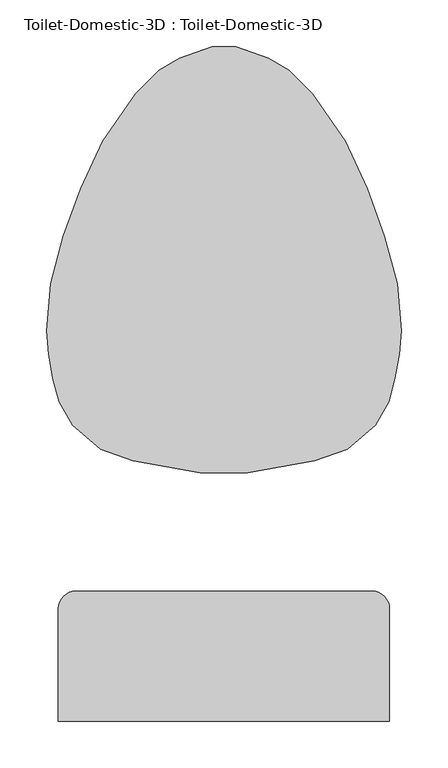
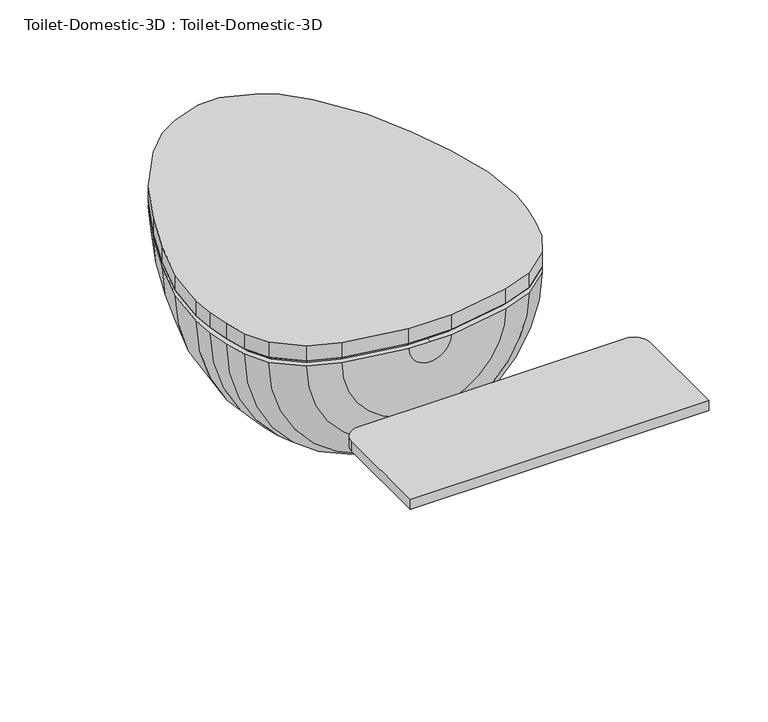
"""IFC4 building model written with IfcOpenShell, lengths in millimetres: flow terminal geometry, Toilet-Domestic-3D : Toilet-Domestic-3D."""

from ifc_helpers import new_model, si_unit, point, frame, frame_2d, origin, place, context, project, spatial, polyline, circle_curve, trimmed, segment, composite_curve, outline, extrude, faceted_brep, source, transform, mapped, element, save
from ifc_brep_helpers import plane_surface, revolved_surface, advanced_brep


def toilet_domestic_3d_toilet_domestic_3d_5530cc89(model_context):
    return source(origin(), model_context, "Body", "SolidModel", [
        advanced_brep(
        [(-25.4, -152.4, 361.95), (0.0, -152.4, 361.95), (0.0, -133.6394123, 361.95), (-22.0920022, -133.6394123, 361.95), (-94.1172813, -120.9394123, 361.95), (-121.9980886, -110.7916284, 361.95), (-146.1085923, -90.5605136, 361.95), (-159.5484355, -68.2281551, 361.95), (-165.101298, -47.5045901, 361.95), (-169.3087351, -23.6430284, 361.95), (-171.5645445, 2.1409906, 361.95), (-167.7238545, 46.0402777, 361.95), (-154.575847, 95.1093097, 361.95), (-136.654021, 144.3491221, 361.95), (-114.0255101, 192.8761202, 361.95), (-79.2146703, 243.0564036, 361.95), (-58.4178985, 263.8531754, 361.95), (-39.5113323, 274.7688865, 361.95), (-12.5224565, 284.592034, 361.95), (0.0, 284.592034, 361.95), (0.0, 304.8, 361.95), (-12.7, 304.8, 361.95), (-47.5929632, 292.1, 361.95), (-69.5900085, 279.4, 361.95), (-94.9900085, 254.0, 361.95), (-130.2307553, 203.2, 361.95), (-153.9191843, 152.4, 361.95), (-172.4088722, 101.6, 361.95), (-186.0724883, 50.6066907, 361.95), (-190.5, 0.0, 361.95), (-188.2862441, -25.3033453, 361.95), (-183.790496, -50.8, 361.95), (-176.9845865, -76.2, 361.95), (-162.5887836, -101.6, 361.95), (-132.3182423, -127.0, 361.95), (-97.4252791, -139.7, 361.95), (25.4, -152.4, 361.95), (97.4252791, -139.7, 361.95), (132.3182423, -127.0, 361.95), (162.5887836, -101.6, 361.95), (176.9845865, -76.2, 361.95), (183.790496, -50.8, 361.95), (188.2862441, -25.3033453, 361.95), (190.5, 0.0, 361.95), (186.0724883, 50.6066907, 361.95), (172.4088722, 101.6, 361.95), (153.9191843, 152.4, 361.95), (130.2307553, 203.2, 361.95), (94.9900085, 254.0, 361.95), (69.5900085, 279.4, 361.95), (47.5929632, 292.1, 361.95), (12.7, 304.8, 361.95), (12.5224565, 284.592034, 361.95), (39.5113323, 274.7688865, 361.95), (58.4178985, 263.8531754, 361.95), (79.2146703, 243.0564036, 361.95), (114.0255101, 192.8761202, 361.95), (136.654021, 144.3491221, 361.95), (154.575847, 95.1093097, 361.95), (167.7238545, 46.0402777, 361.95), (171.5645445, 2.1409906, 361.95), (169.3087351, -23.6430284, 361.95), (165.101298, -47.5045901, 361.95), (159.5484355, -68.2281551, 361.95), (146.1085923, -90.5605136, 361.95), (121.9980886, -110.7916284, 361.95), (94.1172813, -120.9394123, 361.95), (22.0920022, -133.6394123, 361.95)],
        [
            (0, 1),
            (1, 2),
            (2, 3),
            (3, 4),
            (4, 5),
            (5, 6),
            (6, 7),
            (7, 8),
            (8, 9),
            (9, 10),
            (10, 11),
            (11, 12),
            (12, 13),
            (13, 14),
            (14, 15),
            (15, 16),
            (16, 17),
            (17, 18),
            (18, 19),
            (19, 20),
            (20, 21),
            (21, 22),
            (22, 23),
            (23, 24),
            (24, 25),
            (25, 26),
            (26, 27),
            (27, 28),
            (28, 29),
            (29, 30),
            (30, 31),
            (31, 32),
            (32, 33),
            (33, 34),
            (34, 35),
            (35, 0),
            (36, 37),
            (37, 38),
            (38, 39),
            (39, 40),
            (40, 41),
            (41, 42),
            (42, 43),
            (43, 44),
            (44, 45),
            (45, 46),
            (46, 47),
            (47, 48),
            (48, 49),
            (49, 50),
            (50, 51),
            (51, 20),
            (19, 52),
            (52, 53),
            (53, 54),
            (54, 55),
            (55, 56),
            (56, 57),
            (57, 58),
            (58, 59),
            (59, 60),
            (60, 61),
            (61, 62),
            (62, 63),
            (63, 64),
            (64, 65),
            (65, 66),
            (66, 67),
            (67, 2),
            (1, 36),
            (36, 0, circle_curve(frame((0.0, -152.4, 361.95), z_axis=(0.0, 1.0, 0.0), x_axis=(-1.0, 0.0, 0.0)), 25.4)),
            (35, 37, circle_curve(frame((0.0, -139.7, 361.95), z_axis=(0.0, -1.0, 0.0), x_axis=(-1.0, 0.0, 0.0)), 97.4252791)),
            (34, 38, circle_curve(frame((0.0, -127.0, 361.95), z_axis=(0.0, -1.0, 0.0), x_axis=(-1.0, 0.0, 0.0)), 132.3182423)),
            (33, 39, circle_curve(frame((0.0, -101.6, 361.95), z_axis=(0.0, -1.0, 0.0), x_axis=(-1.0, 0.0, 0.0)), 162.5887836)),
            (32, 40, circle_curve(frame((0.0, -76.2, 361.95), z_axis=(0.0, -1.0, 0.0), x_axis=(-1.0, 0.0, 0.0)), 176.9845865)),
            (31, 41, circle_curve(frame((0.0, -50.8, 361.95), z_axis=(0.0, -1.0, 0.0), x_axis=(-1.0, 0.0, 0.0)), 183.790496)),
            (30, 42, circle_curve(frame((0.0, -25.3033453, 361.95), z_axis=(0.0, -1.0, 0.0), x_axis=(-1.0, 0.0, 0.0)), 188.2862441)),
            (29, 43, circle_curve(frame((0.0, 0.0, 361.95), z_axis=(0.0, -1.0, 0.0), x_axis=(-1.0, 0.0, 0.0)), 190.5)),
            (28, 44, circle_curve(frame((0.0, 50.6066907, 361.95), z_axis=(0.0, -1.0, 0.0), x_axis=(-1.0, 0.0, 0.0)), 186.0724883)),
            (27, 45, circle_curve(frame((0.0, 101.6, 361.95), z_axis=(0.0, -1.0, 0.0), x_axis=(-1.0, 0.0, 0.0)), 172.4088722)),
            (26, 46, circle_curve(frame((0.0, 152.4, 361.95), z_axis=(0.0, -1.0, 0.0), x_axis=(-1.0, 0.0, 0.0)), 153.9191843)),
            (25, 47, circle_curve(frame((0.0, 203.2, 361.95), z_axis=(0.0, -1.0, 0.0), x_axis=(-1.0, 0.0, 0.0)), 130.2307553)),
            (24, 48, circle_curve(frame((0.0, 254.0, 361.95), z_axis=(0.0, -1.0, 0.0), x_axis=(-1.0, 0.0, 0.0)), 94.9900085)),
            (23, 49, circle_curve(frame((0.0, 279.4, 361.95), z_axis=(0.0, -1.0, 0.0), x_axis=(-1.0, 0.0, 0.0)), 69.5900085)),
            (22, 50, circle_curve(frame((0.0, 292.1, 361.95), z_axis=(0.0, -1.0, 0.0), x_axis=(-1.0, 0.0, 0.0)), 47.5929632)),
            (21, 51, circle_curve(frame((0.0, 304.8, 361.95), z_axis=(0.0, -1.0, 0.0), x_axis=(-1.0, 0.0, 0.0)), 12.7)),
            (18, 52, circle_curve(frame((0.0, 284.592034, 361.95), z_axis=(0.0, -1.0, 0.0), x_axis=(-1.0, 0.0, 0.0)), 12.5224565)),
            (17, 53, circle_curve(frame((0.0, 274.7688865, 361.95), z_axis=(0.0, -1.0, 0.0), x_axis=(-1.0, 0.0, 0.0)), 39.5113323)),
            (16, 54, circle_curve(frame((0.0, 263.8531754, 361.95), z_axis=(0.0, -1.0, 0.0), x_axis=(-1.0, 0.0, 0.0)), 58.4178985)),
            (15, 55, circle_curve(frame((0.0, 243.0564036, 361.95), z_axis=(0.0, -1.0, 0.0), x_axis=(-1.0, 0.0, 0.0)), 79.2146703)),
            (14, 56, circle_curve(frame((0.0, 192.8761202, 361.95), z_axis=(0.0, -1.0, 0.0), x_axis=(-1.0, 0.0, 0.0)), 114.0255101)),
            (13, 57, circle_curve(frame((0.0, 144.3491221, 361.95), z_axis=(0.0, -1.0, 0.0), x_axis=(-1.0, 0.0, 0.0)), 136.654021)),
            (12, 58, circle_curve(frame((0.0, 95.1093097, 361.95), z_axis=(0.0, -1.0, 0.0), x_axis=(-1.0, 0.0, 0.0)), 154.575847)),
            (11, 59, circle_curve(frame((0.0, 46.0402777, 361.95), z_axis=(0.0, -1.0, 0.0), x_axis=(-1.0, 0.0, 0.0)), 167.7238545)),
            (10, 60, circle_curve(frame((0.0, 2.1409906, 361.95), z_axis=(0.0, -1.0, 0.0), x_axis=(-1.0, 0.0, 0.0)), 171.5645445)),
            (9, 61, circle_curve(frame((0.0, -23.6430284, 361.95), z_axis=(0.0, -1.0, 0.0), x_axis=(-1.0, 0.0, 0.0)), 169.3087351)),
            (8, 62, circle_curve(frame((0.0, -47.5045901, 361.95), z_axis=(0.0, -1.0, 0.0), x_axis=(-1.0, 0.0, 0.0)), 165.101298)),
            (7, 63, circle_curve(frame((0.0, -68.2281551, 361.95), z_axis=(0.0, -1.0, 0.0), x_axis=(-1.0, 0.0, 0.0)), 159.5484355)),
            (6, 64, circle_curve(frame((0.0, -90.5605136, 361.95), z_axis=(0.0, -1.0, 0.0), x_axis=(-1.0, 0.0, 0.0)), 146.1085923)),
            (5, 65, circle_curve(frame((0.0, -110.7916284, 361.95), z_axis=(0.0, -1.0, 0.0), x_axis=(-1.0, 0.0, 0.0)), 121.9980886)),
            (4, 66, circle_curve(frame((0.0, -120.9394123, 361.95), z_axis=(0.0, -1.0, 0.0), x_axis=(-1.0, 0.0, 0.0)), 94.1172813)),
            (3, 67, circle_curve(frame((0.0, -133.6394123, 361.95), z_axis=(0.0, -1.0, 0.0), x_axis=(-1.0, 0.0, 0.0)), 22.0920022)),
        ],
        [
            plane_surface(frame((0.0, -175.1599017, 361.95), z_axis=(0.0, 0.0, 1.0), x_axis=(-1.0, 0.0, 0.0))),
            plane_surface(frame((0.0, -175.1599017, 361.95), z_axis=(0.0, 0.0, 1.0), x_axis=(1.0, 0.0, 0.0))),
            revolved_surface(polyline([(-25.4, -152.4, 361.95), (-97.4252791, -139.7, 361.95)]), (0.0, -175.1599017, 361.95), (0.0, 1.0, 0.0)),
            revolved_surface(polyline([(-97.4252791, -139.7, 361.95), (-132.3182423, -127.0, 361.95)]), (0.0, -175.1599017, 361.95), (0.0, 1.0, 0.0)),
            revolved_surface(polyline([(-132.3182423, -127.0, 361.95), (-162.5887836, -101.6, 361.95)]), (0.0, -175.1599017, 361.95), (0.0, 1.0, 0.0)),
            revolved_surface(polyline([(-162.5887836, -101.6, 361.95), (-176.9845865, -76.2, 361.95)]), (0.0, -175.1599017, 361.95), (0.0, 1.0, 0.0)),
            revolved_surface(polyline([(-176.9845865, -76.2, 361.95), (-183.790496, -50.8, 361.95)]), (0.0, -175.1599017, 361.95), (0.0, 1.0, 0.0)),
            revolved_surface(polyline([(-183.790496, -50.8, 361.95), (-188.2862441, -25.3033453, 361.95)]), (0.0, -175.1599017, 361.95), (0.0, 1.0, 0.0)),
            revolved_surface(polyline([(-188.2862441, -25.3033453, 361.95), (-190.5, 0.0, 361.95)]), (0.0, -175.1599017, 361.95), (0.0, 1.0, 0.0)),
            revolved_surface(polyline([(-190.5, 0.0, 361.95), (-186.0724883, 50.6066907, 361.95)]), (0.0, -175.1599017, 361.95), (0.0, 1.0, 0.0)),
            revolved_surface(polyline([(-186.0724883, 50.6066907, 361.95), (-172.4088722, 101.6, 361.95)]), (0.0, -175.1599017, 361.95), (0.0, 1.0, 0.0)),
            revolved_surface(polyline([(-172.4088722, 101.6, 361.95), (-153.9191843, 152.4, 361.95)]), (0.0, -175.1599017, 361.95), (0.0, 1.0, 0.0)),
            revolved_surface(polyline([(-153.9191843, 152.4, 361.95), (-130.2307553, 203.2, 361.95)]), (0.0, -175.1599017, 361.95), (0.0, 1.0, 0.0)),
            revolved_surface(polyline([(-130.2307553, 203.2, 361.95), (-94.9900085, 254.0, 361.95)]), (0.0, -175.1599017, 361.95), (0.0, 1.0, 0.0)),
            revolved_surface(polyline([(-94.9900085, 254.0, 361.95), (-69.5900085, 279.4, 361.95)]), (0.0, -175.1599017, 361.95), (0.0, 1.0, 0.0)),
            revolved_surface(polyline([(-69.5900085, 279.4, 361.95), (-47.5929632, 292.1, 361.95)]), (0.0, -175.1599017, 361.95), (0.0, 1.0, 0.0)),
            revolved_surface(polyline([(-47.5929632, 292.1, 361.95), (-12.7, 304.8, 361.95)]), (0.0, -175.1599017, 361.95), (0.0, 1.0, 0.0)),
            plane_surface(frame((0.0, 304.8, 361.95), z_axis=(0.0, 1.0, 0.0), x_axis=(-1.0, 0.0, 0.0))),
            plane_surface(frame((0.0, 284.592034, 361.95), z_axis=(0.0, -1.0, 0.0), x_axis=(-1.0, 0.0, 0.0))),
            revolved_surface(polyline([(-12.5224565, 284.592034, 361.95), (-39.5113323, 274.7688865, 361.95)]), (0.0, -175.1599017, 361.95), (0.0, 1.0, 0.0)),
            revolved_surface(polyline([(-39.5113323, 274.7688865, 361.95), (-58.4178985, 263.8531754, 361.95)]), (0.0, -175.1599017, 361.95), (0.0, 1.0, 0.0)),
            revolved_surface(polyline([(-58.4178985, 263.8531754, 361.95), (-79.2146703, 243.0564036, 361.95)]), (0.0, -175.1599017, 361.95), (0.0, 1.0, 0.0)),
            revolved_surface(polyline([(-79.2146703, 243.0564036, 361.95), (-114.0255101, 192.8761202, 361.95)]), (0.0, -175.1599017, 361.95), (0.0, 1.0, 0.0)),
            revolved_surface(polyline([(-114.0255101, 192.8761202, 361.95), (-136.654021, 144.3491221, 361.95)]), (0.0, -175.1599017, 361.95), (0.0, 1.0, 0.0)),
            revolved_surface(polyline([(-136.654021, 144.3491221, 361.95), (-154.575847, 95.1093097, 361.95)]), (0.0, -175.1599017, 361.95), (0.0, 1.0, 0.0)),
            revolved_surface(polyline([(-154.575847, 95.1093097, 361.95), (-167.7238545, 46.0402777, 361.95)]), (0.0, -175.1599017, 361.95), (0.0, 1.0, 0.0)),
            revolved_surface(polyline([(-167.7238545, 46.0402777, 361.95), (-171.5645445, 2.1409906, 361.95)]), (0.0, -175.1599017, 361.95), (0.0, 1.0, 0.0)),
            revolved_surface(polyline([(-171.5645445, 2.1409906, 361.95), (-169.3087351, -23.6430284, 361.95)]), (0.0, -175.1599017, 361.95), (0.0, 1.0, 0.0)),
            revolved_surface(polyline([(-169.3087351, -23.6430284, 361.95), (-165.101298, -47.5045901, 361.95)]), (0.0, -175.1599017, 361.95), (0.0, 1.0, 0.0)),
            revolved_surface(polyline([(-165.101298, -47.5045901, 361.95), (-159.5484355, -68.2281551, 361.95)]), (0.0, -175.1599017, 361.95), (0.0, 1.0, 0.0)),
            revolved_surface(polyline([(-159.5484355, -68.2281551, 361.95), (-146.1085923, -90.5605136, 361.95)]), (0.0, -175.1599017, 361.95), (0.0, 1.0, 0.0)),
            revolved_surface(polyline([(-146.1085923, -90.5605136, 361.95), (-121.9980886, -110.7916284, 361.95)]), (0.0, -175.1599017, 361.95), (0.0, 1.0, 0.0)),
            revolved_surface(polyline([(-121.9980886, -110.7916284, 361.95), (-94.1172813, -120.9394123, 361.95)]), (0.0, -175.1599017, 361.95), (0.0, 1.0, 0.0)),
            revolved_surface(polyline([(-94.1172813, -120.9394123, 361.95), (-22.0920022, -133.6394123, 361.95)]), (0.0, -175.1599017, 361.95), (0.0, 1.0, 0.0)),
            plane_surface(frame((0.0, -133.6394123, 361.95), z_axis=(0.0, 1.0, 0.0), x_axis=(-1.0, 0.0, 0.0))),
            plane_surface(frame((0.0, -152.4, 361.95), z_axis=(0.0, -1.0, 0.0), x_axis=(-1.0, 0.0, 0.0))),
        ],
        [
            (0, [[1, 2, 3, 4, 5, 6, 7, 8, 9, 10, 11, 12, 13, 14, 15, 16, 17, 18, 19, 20, 21, 22, 23, 24, 25, 26, 27, 28, 29, 30, 31, 32, 33, 34, 35, 36]]),
            (1, [[37, 38, 39, 40, 41, 42, 43, 44, 45, 46, 47, 48, 49, 50, 51, 52, -20, 53, 54, 55, 56, 57, 58, 59, 60, 61, 62, 63, 64, 65, 66, 67, 68, 69, -2, 70]]),
            (2, [[-37, 71, -36, 72]]),
            (3, [[-38, -72, -35, 73]]),
            (4, [[-39, -73, -34, 74]]),
            (5, [[-40, -74, -33, 75]]),
            (6, [[-41, -75, -32, 76]]),
            (7, [[-42, -76, -31, 77]]),
            (8, [[-43, -77, -30, 78]]),
            (9, [[-44, -78, -29, 79]]),
            (10, [[-45, -79, -28, 80]]),
            (11, [[-46, -80, -27, 81]]),
            (12, [[-47, -81, -26, 82]]),
            (13, [[-48, -82, -25, 83]]),
            (14, [[-49, -83, -24, 84]]),
            (15, [[-50, -84, -23, 85]]),
            (16, [[-51, -85, -22, 86]]),
            (17, [[-52, -86, -21]]),
            (18, [[-53, -19, 87]]),
            (19, [[-54, -87, -18, 88]]),
            (20, [[-55, -88, -17, 89]]),
            (21, [[-56, -89, -16, 90]]),
            (22, [[-57, -90, -15, 91]]),
            (23, [[-58, -91, -14, 92]]),
            (24, [[-59, -92, -13, 93]]),
            (25, [[-60, -93, -12, 94]]),
            (26, [[-61, -94, -11, 95]]),
            (27, [[-62, -95, -10, 96]]),
            (28, [[-63, -96, -9, 97]]),
            (29, [[-64, -97, -8, 98]]),
            (30, [[-65, -98, -7, 99]]),
            (31, [[-66, -99, -6, 100]]),
            (32, [[-67, -100, -5, 101]]),
            (33, [[-68, -101, -4, 102]]),
            (34, [[-69, -102, -3]]),
            (35, [[-70, -1, -71]]),
        ],
    ),
        faceted_brep([(-97.4252791, -139.7, 368.3), (-25.4, -152.4, 368.3), (25.4, -152.4, 368.3), (97.4252791, -139.7, 368.3), (132.3182423, -127.0, 368.3), (162.5887836, -101.6, 368.3), (176.9845865, -76.2, 368.3), (183.790496, -50.8, 368.3), (188.2862441, -25.3033453, 368.3), (190.5, 0.0, 368.3), (186.0724883, 50.6066907, 368.3), (172.4088722, 101.6, 368.3), (153.9191843, 152.4, 368.3), (130.2307553, 203.2, 368.3), (94.9900085, 254.0, 368.3), (69.5900085, 279.4, 368.3), (47.5929632, 292.1, 368.3), (12.7, 304.8, 368.3), (-12.7, 304.8, 368.3), (-47.5929632, 292.1, 368.3), (-69.5900085, 279.4, 368.3), (-94.9900085, 254.0, 368.3), (-130.2307553, 203.2, 368.3), (-153.9191843, 152.4, 368.3), (-172.4088722, 101.6, 368.3), (-186.0724883, 50.6066907, 368.3), (-190.5, 0.0, 368.3), (-188.2862441, -25.3033453, 368.3), (-183.790496, -50.8, 368.3), (-176.9845865, -76.2, 368.3), (-162.5887836, -101.6, 368.3), (-132.3182423, -127.0, 368.3), (-95.7755003, -133.5429415, 361.95), (-129.0942628, -121.4159037, 361.95), (-157.6293435, -97.472128, 361.95), (-171.060664, -73.773864, 361.95), (-177.5851102, -49.4242991, 361.95), (-181.9845715, -24.4737144, 361.95), (-184.125744, 0.0, 361.95), (-179.7950716, 49.4998127, 361.95), (-166.347, 99.688699, 361.95), (-148.0469602, 149.9676451, 361.95), (-124.7045808, 200.0255393, 361.95), (-90.0971582, 249.9125941, 361.95), (-65.691017, 274.3187354, 361.95), (-44.8990862, 286.3229622, 361.95), (-11.5803237, 298.45, 361.95), (11.5803237, 298.45, 361.95), (44.8990862, 286.3229622, 361.95), (65.691017, 274.3187354, 361.95), (90.0971582, 249.9125941, 361.95), (124.7045808, 200.0255393, 361.95), (148.0469602, 149.9676451, 361.95), (166.347, 99.688699, 361.95), (179.7950716, 49.4998127, 361.95), (184.125744, 0.0, 361.95), (181.9845715, -24.4737144, 361.95), (177.5851102, -49.4242991, 361.95), (171.060664, -73.773864, 361.95), (157.6293435, -97.472128, 361.95), (129.0942628, -121.4159037, 361.95), (95.7755003, -133.5429415, 361.95), (24.844447, -146.05, 361.95), (-24.844447, -146.05, 361.95)], [[[0, 1, 2, 3, 4, 5, 6, 7, 8, 9, 10, 11, 12, 13, 14, 15, 16, 17, 18, 19, 20, 21, 22, 23, 24, 25, 26, 27, 28, 29, 30, 31]], [[32, 33, 34, 35, 36, 37, 38, 39, 40, 41, 42, 43, 44, 45, 46, 47, 48, 49, 50, 51, 52, 53, 54, 55, 56, 57, 58, 59, 60, 61, 62, 63]], [[32, 0, 31, 33]], [[33, 31, 30, 34]], [[34, 30, 29, 35]], [[35, 29, 28, 36]], [[36, 28, 27, 37]], [[37, 27, 26, 38]], [[38, 26, 25, 39]], [[39, 25, 24, 40]], [[40, 24, 23, 41]], [[41, 23, 22, 42]], [[42, 22, 21, 43]], [[43, 21, 20, 44]], [[44, 20, 19, 45]], [[45, 19, 18, 46]], [[46, 18, 17, 47]], [[47, 17, 16, 48]], [[48, 16, 15, 49]], [[49, 15, 14, 50]], [[50, 14, 13, 51]], [[51, 13, 12, 52]], [[52, 12, 11, 53]], [[53, 11, 10, 54]], [[54, 10, 9, 55]], [[55, 9, 8, 56]], [[56, 8, 7, 57]], [[57, 7, 6, 58]], [[58, 6, 5, 59]], [[59, 5, 4, 60]], [[60, 4, 3, 61]], [[61, 3, 2, 62]], [[62, 2, 1, 63]], [[63, 1, 0, 32]]]),
        extrude(outline(composite_curve([segment(polyline([(177.8, -419.1), (-177.8, -419.1), (-177.8, -298.45)]), True, "CONTINUOUS"), segment(trimmed(circle_curve(frame_2d((-158.75, -298.45)), 19.05), [point((-177.8, -298.45))], [point((-158.75, -279.4))], False, "CARTESIAN"), True, "CONTINUOUS"), segment(polyline([(-158.75, -279.4), (158.75, -279.4)]), True, "CONTINUOUS"), segment(trimmed(circle_curve(frame_2d((158.75, -298.45)), 19.05), [point((158.75, -279.4))], [point((177.8, -298.45))], False, "CARTESIAN"), True, "CONTINUOUS"), segment(polyline([(177.8, -298.45), (177.8, -419.1)]), True, "CONTINUOUS")], self_intersect=False)), frame((0.0, 0.0, 374.65), z_axis=(0.0, 0.0, 1.0), x_axis=(1.0, 0.0, 0.0)), (0.0, 0.0, 1.0), 12.5681453),
        extrude(outline(polyline([(-162.5887836, -101.6), (-176.9845865, -76.2), (-183.790496, -50.8), (-188.2862441, -25.3033453), (-190.5, 0.0), (-186.0724883, 50.6066907), (-172.4088722, 101.6), (-153.9191843, 152.4), (-130.2307553, 203.2), (-94.9900085, 254.0), (-69.5900085, 279.4), (-47.5929632, 292.1), (-12.7, 304.8), (12.7, 304.8), (47.5929632, 292.1), (69.5900085, 279.4), (94.9900085, 254.0), (130.2307553, 203.2), (153.9191843, 152.4), (172.4088722, 101.6), (186.0724883, 50.6066907), (190.5, 0.0), (188.2862441, -25.3033453), (183.790496, -50.8), (176.9845865, -76.2), (162.5887836, -101.6), (132.3182423, -127.0), (97.4252791, -139.7), (25.4, -152.4), (-25.4, -152.4), (-97.4252791, -139.7), (-132.3182423, -127.0), (-162.5887836, -101.6)])), frame((0.0, 0.0, 368.3), z_axis=(0.0, 0.0, 1.0), x_axis=(1.0, 0.0, 0.0)), (0.0, 0.0, 1.0), 19.05),
    ])


if __name__ == "__main__":
    model = new_model("IFC4")
    model_context = context("Model", 3, world=origin())
    ifc_project = project(units=[si_unit("LENGTHUNIT", "METRE", prefix="MILLI")], contexts=[model_context])
    site = spatial("IfcSite", under=ifc_project)
    building = spatial("IfcBuilding", under=site)
    placement = place(None, origin())
    toilet_domestic_3d_toilet_domestic_3d_shape = toilet_domestic_3d_toilet_domestic_3d_5530cc89(model_context)
    element("IfcFlowTerminal", 1, ObjectType="Toilet-Domestic-3D : Toilet-Domestic-3D", at=placement, inside=building, context=model_context, shape_type="MappedRepresentation", body=[
        mapped(toilet_domestic_3d_toilet_domestic_3d_shape, transform((0.0, 0.0, 0.0), x_axis=(1.0, 0.0, 0.0), y_axis=(0.0, 1.0, 0.0), z_axis=(0.0, 0.0, 1.0))),
    ])
    save(model, "model.ifc")
